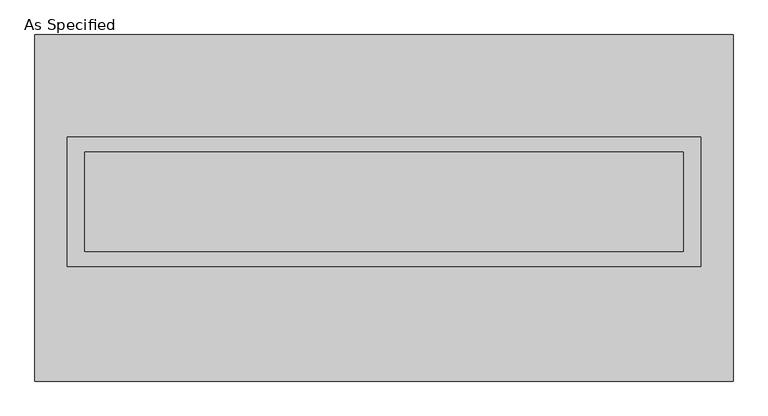
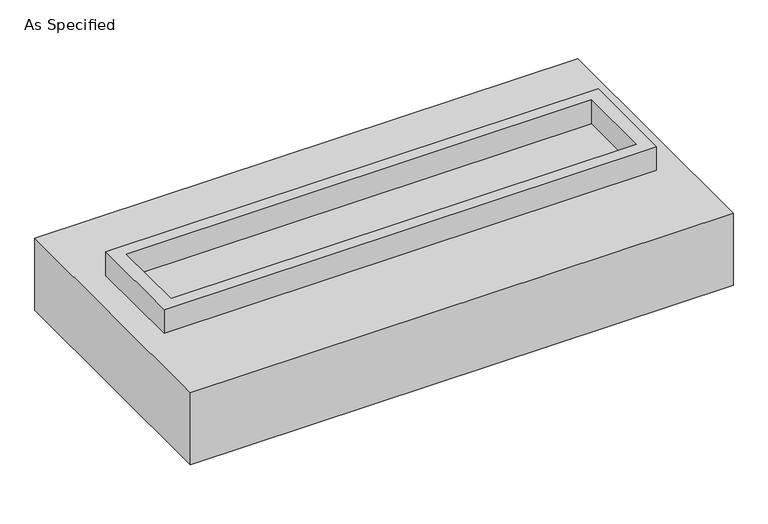
"""IFC4 building model written with IfcOpenShell, lengths in millimetres: proxy geometry, As Specified."""

from ifc_helpers import new_model, si_unit, frame, origin, place, context, project, spatial, polyline, outline, extrude, source, transform, mapped, element, save


def as_specified_ab51f94f(model_context):
    return source(origin(), model_context, "Body", "SweptSolid", [
        extrude(outline(polyline([(1612.9, 361.95), (1612.9, -298.45), (-1612.9, -298.45), (-1612.9, 361.95), (1612.9, 361.95)]), holes=[polyline([(1524.0, 285.75), (-1524.0, 285.75), (-1524.0, -222.25), (1524.0, -222.25), (1524.0, 285.75)])]), frame((0.0, 0.0, -688.975), z_axis=(0.0, 0.0, 1.0), x_axis=(1.0, 0.0, 0.0)), (0.0, 0.0, 1.0), 165.1),
        extrude(outline(polyline([(1612.9, 361.95), (1612.9, -298.45), (-1612.9, -298.45), (-1612.9, 361.95), (1612.9, 361.95)]), holes=[polyline([(1524.0, 285.75), (-1524.0, 285.75), (-1524.0, -222.25), (1524.0, -222.25), (1524.0, 285.75)])]), frame((0.0, 0.0, -25.4), z_axis=(0.0, 0.0, 1.0), x_axis=(1.0, 0.0, 0.0)), (0.0, 0.0, 1.0), 165.1),
        extrude(outline(polyline([(1524.0, 285.75), (1524.0, -222.25), (-1524.0, -222.25), (-1524.0, 285.75), (1524.0, 285.75)])), frame((0.0, 0.0, -523.875), z_axis=(0.0, 0.0, 1.0), x_axis=(1.0, 0.0, 0.0)), (0.0, 0.0, 1.0), 4.9609375),
        extrude(outline(polyline([(1524.0, 285.75), (1524.0, -222.25), (-1524.0, -222.25), (-1524.0, 285.75), (1524.0, 285.75)])), frame((0.0, 0.0, -30.3609375), z_axis=(0.0, 0.0, 1.0), x_axis=(1.0, 0.0, 0.0)), (0.0, 0.0, 1.0), 4.9609375),
        extrude(outline(polyline([(1778.0, -882.65), (-1778.0, -882.65), (-1778.0, 882.65), (1778.0, 882.65), (1778.0, -882.65)]), holes=[polyline([(-1612.9, 361.95), (-1612.9, -298.45), (1612.9, -298.45), (1612.9, 361.95), (-1612.9, 361.95)])]), frame((0.0, 0.0, -523.875), z_axis=(0.0, 0.0, 1.0), x_axis=(1.0, 0.0, 0.0)), (0.0, 0.0, 1.0), 498.475),
    ])


if __name__ == "__main__":
    model = new_model("IFC4")
    model_context = context("Model", 3, world=origin())
    ifc_project = project(units=[si_unit("LENGTHUNIT", "METRE", prefix="MILLI")], contexts=[model_context])
    site = spatial("IfcSite", under=ifc_project)
    building = spatial("IfcBuilding", under=site)
    placement = place(None, origin())
    as_specified_shape = as_specified_ab51f94f(model_context)
    element("IfcBuildingElementProxy", 1, Name="As Specified", ObjectType="As Specified", at=placement, inside=building, context=model_context, shape_type="MappedRepresentation", body=[
        mapped(as_specified_shape, transform((0.0, 0.0, 0.0), x_axis=(1.0, 0.0, 0.0), y_axis=(0.0, 1.0, 0.0), z_axis=(0.0, 0.0, 1.0))),
    ])
    save(model, "model.ifc")
